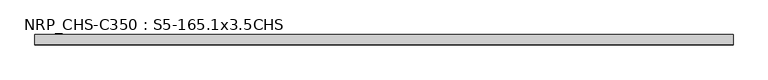
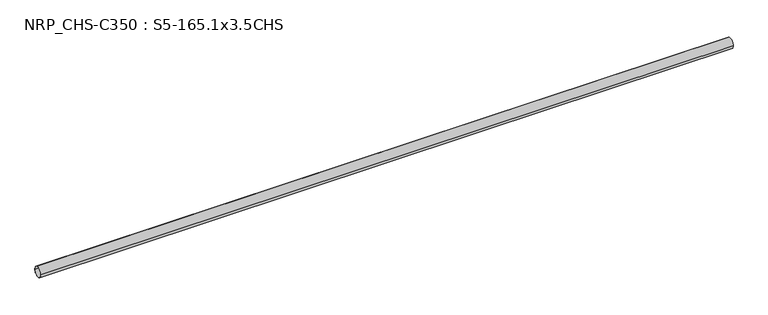
"""IFC4 building model written with IfcOpenShell, lengths in millimetres: beam geometry, NRP_CHS-C350 : S5-165.1x3.5CHS."""

from ifc_helpers import new_model, si_unit, point, frame, origin, origin_2d, place, context, project, spatial, circle_curve, trimmed, segment, composite_curve, outline, extrude, source, transform, mapped, element, save


def nrp_chs_c350_s5_165_1x3_5chs_9840a5ba(model_context):
    return source(origin(), model_context, "Body", "SweptSolid", [
        extrude(outline(composite_curve([segment(trimmed(circle_curve(origin_2d(), 82.55), [point((82.55, 0.0))], [point((-82.55, 0.0))], False, "CARTESIAN"), True, "CONTINUOUS"), segment(trimmed(circle_curve(origin_2d(), 82.55), [point((-82.55, 0.0))], [point((82.55, 0.0))], False, "CARTESIAN"), True, "CONTINUOUS")], self_intersect=False), holes=[composite_curve([segment(trimmed(circle_curve(origin_2d(), 79.05), [point((-79.05, 0.0))], [point((79.05, 0.0))], True, "CARTESIAN"), True, "CONTINUOUS"), segment(trimmed(circle_curve(origin_2d(), 79.05), [point((79.05, 0.0))], [point((-79.05, 0.0))], True, "CARTESIAN"), True, "CONTINUOUS")], self_intersect=False)]), frame((-5532.8, 0.0, 0.0), z_axis=(1.0, 0.0, 0.0), x_axis=(0.0, 1.0, 0.0)), (0.0, 0.0, 1.0), 11029.2),
    ])


if __name__ == "__main__":
    model = new_model("IFC4")
    model_context = context("Model", 3, world=origin())
    ifc_project = project(units=[si_unit("LENGTHUNIT", "METRE", prefix="MILLI")], contexts=[model_context])
    site = spatial("IfcSite", under=ifc_project)
    building = spatial("IfcBuilding", under=site)
    placement = place(None, origin())
    nrp_chs_c350_s5_165_1x3_5chs_shape = nrp_chs_c350_s5_165_1x3_5chs_9840a5ba(model_context)
    element("IfcBeam", 1, ObjectType="NRP_CHS-C350 : S5-165.1x3.5CHS", at=placement, inside=building, context=model_context, shape_type="MappedRepresentation", body=[
        mapped(nrp_chs_c350_s5_165_1x3_5chs_shape, transform((0.0, 0.0, 0.0), x_axis=(1.0, 0.0, 0.0), y_axis=(0.0, 1.0, 0.0), z_axis=(0.0, 0.0, 1.0))),
    ])
    save(model, "model.ifc")
